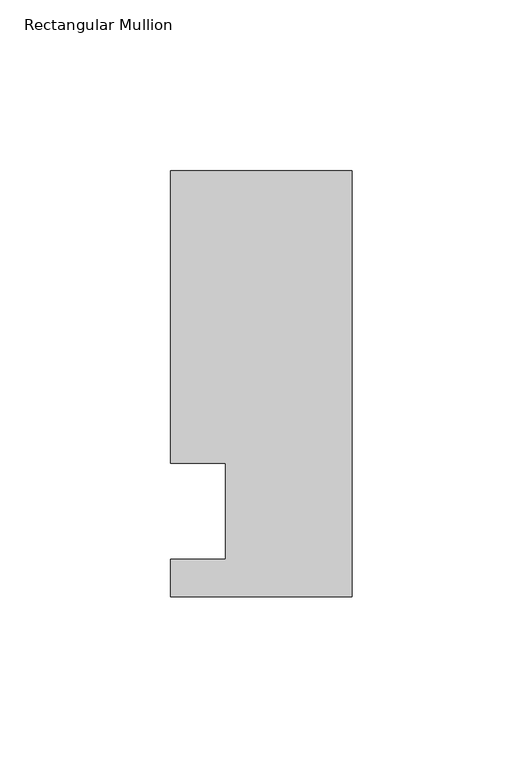
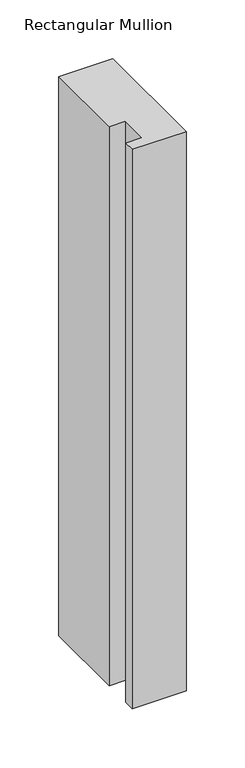
"""IFC4 building model written with IfcOpenShell, lengths in millimetres: member geometry, Rectangular Mullion."""

from ifc_helpers import new_model, si_unit, frame, origin, place, context, project, spatial, polyline, outline, extrude, source, transform, mapped, element, save


def rectangular_mullion_71bf5e6c(model_context):
    return source(origin(), model_context, "Body", "SweptSolid", [
        extrude(outline(polyline([(0.0, -25.0), (-53.0, -25.0), (-53.0, -14.0), (-37.0, -14.0), (-37.0, 14.0), (-53.0, 14.0), (-53.0, 99.5), (0.0, 99.5), (0.0, -25.0)])), frame((0.0, 0.0, -580.7727593), z_axis=(0.0, 0.0, 1.0), x_axis=(1.0, 0.0, 0.0)), (0.0, 0.0, 1.0), 580.7727593),
    ])


if __name__ == "__main__":
    model = new_model("IFC4")
    model_context = context("Model", 3, world=origin())
    ifc_project = project(units=[si_unit("LENGTHUNIT", "METRE", prefix="MILLI")], contexts=[model_context])
    site = spatial("IfcSite", under=ifc_project)
    building = spatial("IfcBuilding", under=site)
    placement = place(None, origin())
    rectangular_mullion_shape = rectangular_mullion_71bf5e6c(model_context)
    element("IfcMember", 1, ObjectType="Rectangular Mullion", at=placement, inside=building, context=model_context, shape_type="MappedRepresentation", body=[
        mapped(rectangular_mullion_shape, transform((0.0, 0.0, 0.0), x_axis=(1.0, 0.0, 0.0), y_axis=(0.0, 1.0, 0.0), z_axis=(0.0, 0.0, 1.0))),
    ])
    save(model, "model.ifc")
